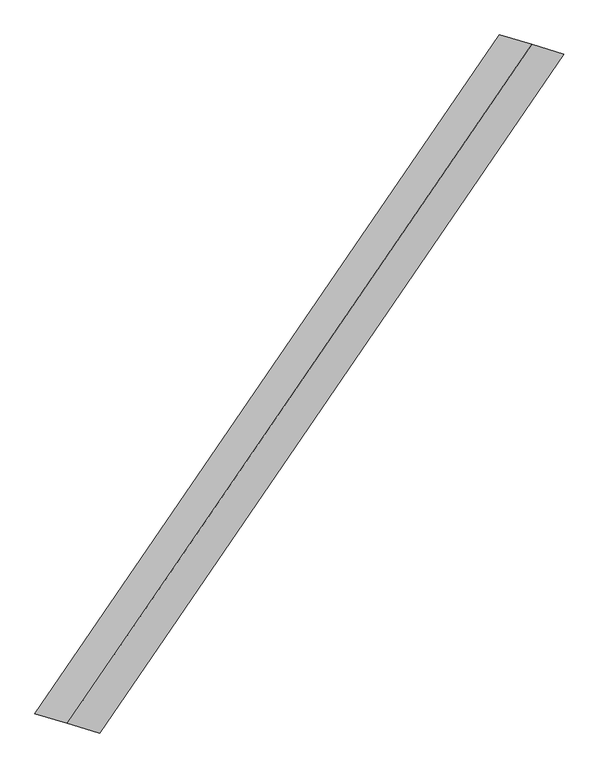
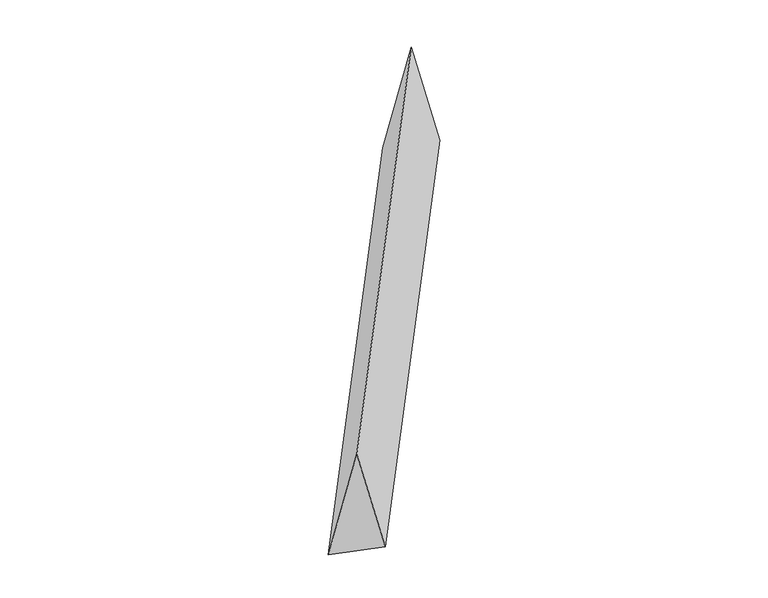
"""IFC4 building model written with IfcOpenShell, lengths in millimetres: proxy geometry."""

from ifc_helpers import new_model, si_unit, origin, place, context, project, spatial, faceted_brep, source, transform, mapped, element, save


def generic_models_82570791(model_context):
    return source(origin(), model_context, "Body", "Brep", [
        faceted_brep([(-1187.2065729, -1734.8195292, 700.0), (-1021.5495129, -1783.7321987, 0.0), (1352.8636328, 1685.9068597, 0.0), (1187.2065729, 1734.8195292, 700.0), (-1352.8636328, -1685.9068597, 0.0), (1021.5495129, 1783.7321987, 0.0)], [[[0, 1, 2, 3]], [[1, 4, 5, 2]], [[4, 0, 3, 5]], [[3, 2, 5]], [[0, 4, 1]]]),
    ])


if __name__ == "__main__":
    model = new_model("IFC4")
    model_context = context("Model", 3, world=origin())
    ifc_project = project(units=[si_unit("LENGTHUNIT", "METRE", prefix="MILLI")], contexts=[model_context])
    site = spatial("IfcSite", under=ifc_project)
    building = spatial("IfcBuilding", under=site)
    placement = place(None, origin())
    generic_models_shape = generic_models_82570791(model_context)
    element("IfcBuildingElementProxy", 1, Name="Generic Models", at=placement, inside=building, context=model_context, shape_type="MappedRepresentation", body=[
        mapped(generic_models_shape, transform((0.0, 0.0, 0.0), x_axis=(1.0, 0.0, 0.0), y_axis=(0.0, 1.0, 0.0), z_axis=(0.0, 0.0, 1.0))),
    ])
    save(model, "model.ifc")
